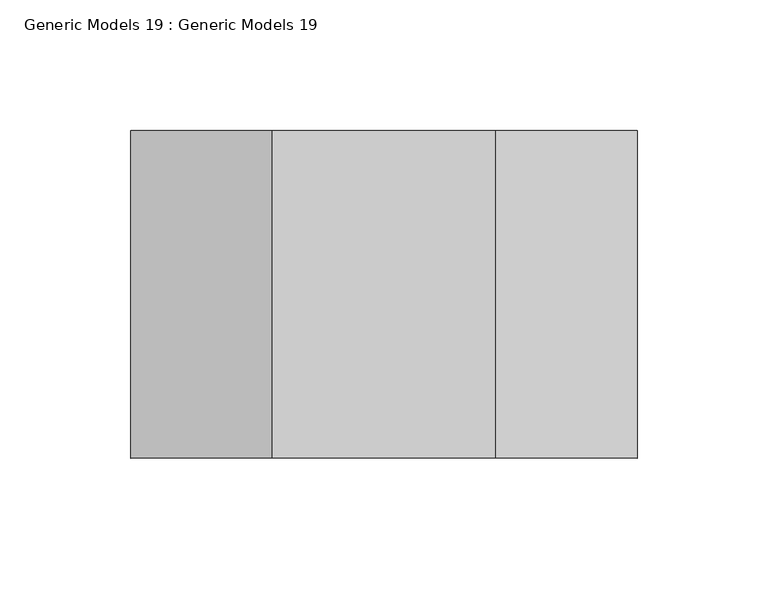
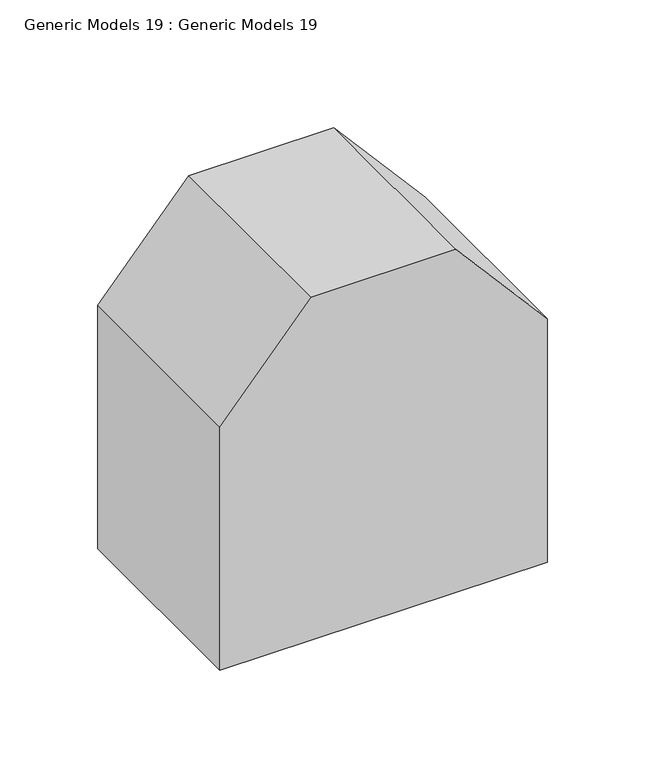
"""IFC4 building model written with IfcOpenShell, lengths in millimetres: proxy geometry, Generic Models 19 : Generic Models 19."""

from ifc_helpers import new_model, si_unit, frame, origin, place, context, project, spatial, polyline, outline, extrude, source, transform, mapped, element, save


def generic_models_19_generic_models_19_e0cedbd0(model_context):
    return source(origin(), model_context, "Body", "SweptSolid", [
        extrude(outline(polyline([(-4971.876966, -24835.1286865), (-4909.5756902, -24889.2863593), (-4909.5756902, -24974.891794), (-4971.876966, -25029.0494668), (-5124.276966, -25029.0494668), (-5124.276966, -24835.1286865), (-4971.876966, -24835.1286865)])), frame((0.0, -8004.9916197, 0.0), z_axis=(0.0, 1.0, 0.0), x_axis=(0.0, 0.0, 1.0)), (0.0, 0.0, 1.0), 125.4718197),
    ])


if __name__ == "__main__":
    model = new_model("IFC4")
    model_context = context("Model", 3, world=origin())
    ifc_project = project(units=[si_unit("LENGTHUNIT", "METRE", prefix="MILLI")], contexts=[model_context])
    site = spatial("IfcSite", under=ifc_project)
    building = spatial("IfcBuilding", under=site)
    placement = place(None, origin())
    generic_models_19_generic_models_19_shape = generic_models_19_generic_models_19_e0cedbd0(model_context)
    element("IfcBuildingElementProxy", 1, Name="Generic Models 19 : Generic Models 19", ObjectType="Generic Models 19 : Generic Models 19", at=placement, inside=building, context=model_context, shape_type="MappedRepresentation", body=[
        mapped(generic_models_19_generic_models_19_shape, transform((0.0, 0.0, 0.0), x_axis=(1.0, 0.0, 0.0), y_axis=(0.0, 1.0, 0.0), z_axis=(0.0, 0.0, 1.0))),
    ])
    save(model, "model.ifc")
